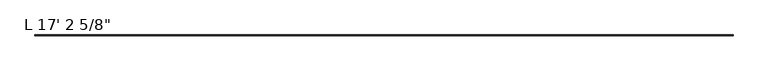
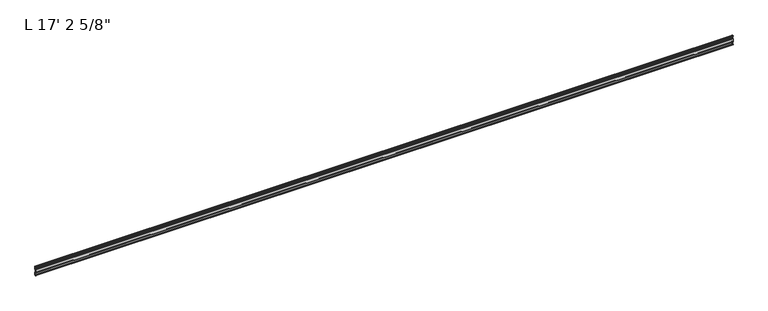
"""IFC4 building model written with IfcOpenShell, lengths in millimetres: proxy geometry."""

from ifc_helpers import new_model, si_unit, point, frame, frame_2d, origin, place, context, project, spatial, polyline, circle_curve, trimmed, segment, composite_curve, outline, extrude, source, transform, mapped, element, save


def proxy_665f9cb1(model_context):
    return source(origin(), model_context, "Body", "SweptSolid", [
        extrude(outline(composite_curve([segment(trimmed(circle_curve(frame_2d((14.5481808, -29.2063136)), 3.048), [point((13.6400687, -32.1158903))], [point((11.9462301, -30.7938136))], False, "CARTESIAN"), True, "CONTINUOUS"), segment(trimmed(circle_curve(frame_2d((14.5481808, -29.2063136)), 3.048), [point((11.9462301, -30.7938136))], [point((13.6400687, -26.2967369))], False, "CARTESIAN"), True, "CONTINUOUS"), segment(polyline([(13.6400687, -26.2967369), (15.4364113, -25.7360779)]), True, "CONTINUOUS"), segment(trimmed(circle_curve(frame_2d((15.6245238, -26.2747792)), 0.5706009), [point((15.4364113, -25.7360779))], [point((16.1779173, -26.4138515))], False, "CARTESIAN"), True, "CONTINUOUS"), segment(trimmed(circle_curve(frame_2d((16.9169378, -26.5995734)), 0.762), [point((16.1779173, -26.4138515))], [point((16.9376166, -27.3612928))], True, "CARTESIAN"), True, "CONTINUOUS"), segment(trimmed(circle_curve(frame_2d((16.9545, -26.8535734)), 0.508), [point((16.9376166, -27.3612928))], [point((17.4625, -26.8535734))], True, "CARTESIAN"), True, "CONTINUOUS"), segment(polyline([(17.4625, -26.8535734), (17.4625, -15.6659614), (17.9716639, -14.7485418), (17.9716639, -13.408381), (17.4625, -12.4909614), (17.4625, -10.1123329)]), True, "CONTINUOUS"), segment(trimmed(circle_curve(frame_2d((15.875, -10.1123329)), 1.5875), [point((17.4625, -10.1123329))], [point((15.875, -8.5248329))], True, "CARTESIAN"), True, "CONTINUOUS"), segment(polyline([(15.875, -8.5248329), (11.1125, -8.5248329), (11.1125, 16.902011), (15.875, 16.902011)]), True, "CONTINUOUS"), segment(trimmed(circle_curve(frame_2d((15.875, 18.489511)), 1.5875), [point((15.875, 16.902011))], [point((17.4625, 18.489511))], True, "CARTESIAN"), True, "CONTINUOUS"), segment(polyline([(17.4625, 18.489511), (17.4625, 20.8681395), (17.9716639, 21.7855591), (17.9716639, 23.1257199), (17.4625, 24.0431395), (17.4625, 35.2307515)]), True, "CONTINUOUS"), segment(trimmed(circle_curve(frame_2d((16.9545, 35.2307515)), 0.508), [point((17.4625, 35.2307515))], [point((16.9376166, 35.7384709))], True, "CARTESIAN"), True, "CONTINUOUS"), segment(trimmed(circle_curve(frame_2d((16.9169378, 34.9767515)), 0.762), [point((16.9376166, 35.7384709))], [point((16.1779173, 34.7910296))], True, "CARTESIAN"), True, "CONTINUOUS"), segment(trimmed(circle_curve(frame_2d((15.6245238, 34.6519573)), 0.5706009), [point((16.1779173, 34.7910296))], [point((15.4364113, 34.113256))], False, "CARTESIAN"), True, "CONTINUOUS"), segment(polyline([(15.4364113, 34.113256), (13.6400687, 34.673915)]), True, "CONTINUOUS"), segment(trimmed(circle_curve(frame_2d((14.5481808, 37.5834917)), 3.048), [point((13.6400687, 34.673915))], [point((11.9462301, 39.1709917))], False, "CARTESIAN"), True, "CONTINUOUS"), segment(trimmed(circle_curve(frame_2d((14.5481808, 37.5834917)), 3.048), [point((11.9462301, 39.1709917))], [point((13.6400687, 40.4930684))], False, "CARTESIAN"), True, "CONTINUOUS"), segment(polyline([(13.6400687, 40.4930684), (15.4750158, 41.0657763)]), True, "CONTINUOUS"), segment(trimmed(circle_curve(frame_2d((15.6853088, 40.6458616)), 0.4696291), [point((15.4750158, 41.0657763))], [point((16.1549378, 40.6458616))], False, "CARTESIAN"), True, "CONTINUOUS"), segment(polyline([(16.1549378, 40.6458616), (16.1549378, 39.1042515)]), True, "CONTINUOUS"), segment(trimmed(circle_curve(frame_2d((17.7424378, 39.1042515)), 1.5875), [point((16.1549378, 39.1042515))], [point((17.7424378, 37.5167515))], True, "CARTESIAN"), True, "CONTINUOUS"), segment(polyline([(17.7424378, 37.5167515), (19.05, 37.5167515), (19.05, 16.8792515)]), True, "CONTINUOUS"), segment(trimmed(circle_curve(frame_2d((17.4625, 16.8792515)), 1.5875), [point((19.05, 16.8792515))], [point((17.4625, 15.2917515))], False, "CARTESIAN"), True, "CONTINUOUS"), segment(polyline([(17.4625, 15.2917515), (12.7, 15.2917515), (12.7, -6.9145734), (17.4625, -6.9145734)]), True, "CONTINUOUS"), segment(trimmed(circle_curve(frame_2d((17.4625, -8.5020734)), 1.5875), [point((17.4625, -6.9145734))], [point((19.05, -8.5020734))], False, "CARTESIAN"), True, "CONTINUOUS"), segment(polyline([(19.05, -8.5020734), (19.05, -29.1395734), (17.7424378, -29.1395734)]), True, "CONTINUOUS"), segment(trimmed(circle_curve(frame_2d((17.7424378, -30.7270734)), 1.5875), [point((17.7424378, -29.1395734))], [point((16.1549378, -30.7270734))], True, "CARTESIAN"), True, "CONTINUOUS"), segment(polyline([(16.1549378, -30.7270734), (16.1549378, -32.2686835)]), True, "CONTINUOUS"), segment(trimmed(circle_curve(frame_2d((15.6853088, -32.2686835)), 0.4696291), [point((16.1549378, -32.2686835))], [point((15.4750158, -32.6885982))], False, "CARTESIAN"), True, "CONTINUOUS"), segment(polyline([(15.4750158, -32.6885982), (13.6400687, -32.1158903)]), True, "CONTINUOUS")], self_intersect=False)), frame((-4943.475, 0.0, 0.0), z_axis=(1.0, 0.0, 0.0), x_axis=(0.0, 1.0, 0.0)), (0.0, 0.0, 1.0), 5248.275),
    ])


if __name__ == "__main__":
    model = new_model("IFC4")
    model_context = context("Model", 3, world=origin())
    ifc_project = project(units=[si_unit("LENGTHUNIT", "METRE", prefix="MILLI")], contexts=[model_context])
    site = spatial("IfcSite", under=ifc_project)
    building = spatial("IfcBuilding", under=site)
    placement = place(None, origin())
    proxy_shape = proxy_665f9cb1(model_context)
    element("IfcBuildingElementProxy", 1, Name="L 17' 2 5/8\"", ObjectType="L 17' 2 5/8\"", at=placement, inside=building, context=model_context, shape_type="MappedRepresentation", body=[
        mapped(proxy_shape, transform((0.0, 0.0, 0.0), x_axis=(1.0, 0.0, 0.0), y_axis=(0.0, 1.0, 0.0), z_axis=(0.0, 0.0, 1.0))),
    ])
    save(model, "model.ifc")
